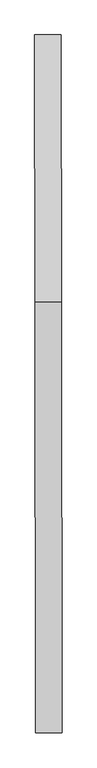
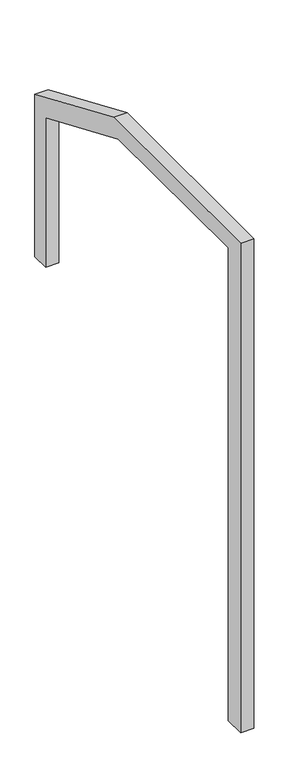
"""IFC4 building model written with IfcOpenShell, lengths in millimetres: proxy geometry."""

from ifc_helpers import new_model, si_unit, frame, origin, place, context, project, spatial, polyline, outline, extrude, source, transform, mapped, element, save


def generic_models_178195f0(model_context):
    return source(origin(), model_context, "Body", "SweptSolid", [
        extrude(outline(polyline([(0.0, 0.0), (0.0, 2199.0787284), (93.6670787, 2199.0787284), (93.6670787, -79.3622542), (-871.3059997, -79.3622542), (-1469.3481535, 174.4915791), (-1469.3481535, 930.721992), (-1388.8554339, 930.721992), (-1388.8554339, 234.6494434), (-836.0559874, 0.0), (0.0, 0.0)])), frame((-59126.4095859, 121479.9290485, 13360.721992), z_axis=(0.9999990131372021, 0.0014048930998798788, 0.0), x_axis=(0.0014048930998798788, -0.9999990131372021, 0.0)), (0.0, 0.0, 1.0), 59.222419),
    ])


if __name__ == "__main__":
    model = new_model("IFC4")
    model_context = context("Model", 3, world=origin())
    ifc_project = project(units=[si_unit("LENGTHUNIT", "METRE", prefix="MILLI")], contexts=[model_context])
    site = spatial("IfcSite", under=ifc_project)
    building = spatial("IfcBuilding", under=site)
    placement = place(None, origin())
    generic_models_shape = generic_models_178195f0(model_context)
    element("IfcBuildingElementProxy", 1, Name="Generic Models", at=placement, inside=building, context=model_context, shape_type="MappedRepresentation", body=[
        mapped(generic_models_shape, transform((0.0, 0.0, 0.0), x_axis=(1.0, 0.0, 0.0), y_axis=(0.0, 1.0, 0.0), z_axis=(0.0, 0.0, 1.0))),
    ])
    save(model, "model.ifc")
